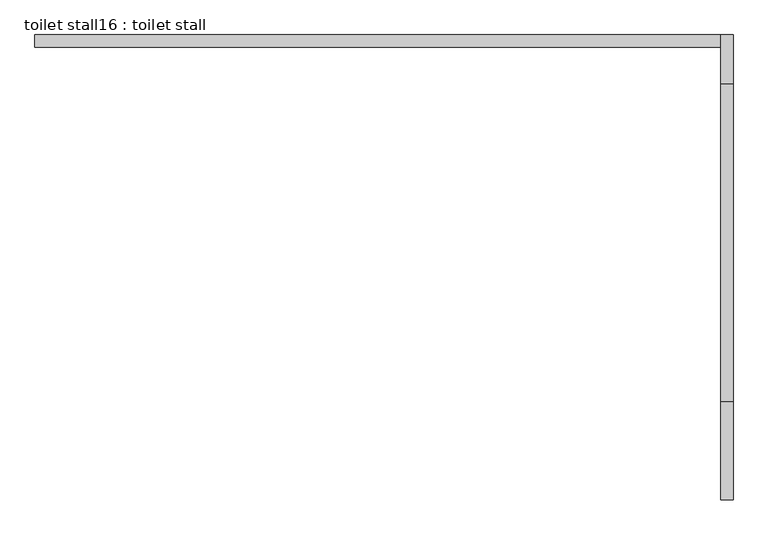
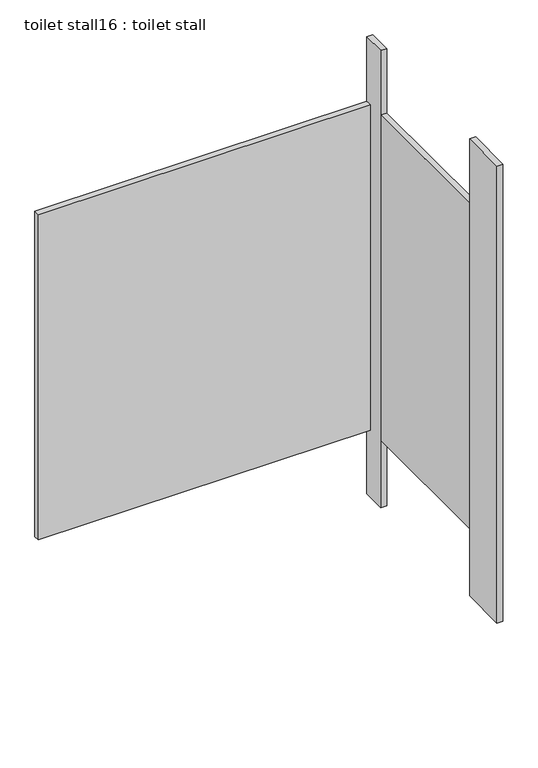
"""IFC4 building model written with IfcOpenShell, lengths in millimetres: proxy geometry, toilet stall16 : toilet stall."""

from ifc_helpers import new_model, si_unit, frame, origin, origin_with_axes, place, context, project, spatial, polyline, outline, extrude, source, transform, mapped, element, save


def toilet_stall16_toilet_stall_285713e9(model_context):
    return source(origin(), model_context, "Body", "SweptSolid", [
        extrude(outline(polyline([(461255.8504676, -333067.8330223), (461281.2504676, -333067.8330223), (461281.2504676, -333271.0330223), (461255.8504676, -333271.0330223), (461255.8504676, -333067.8330223)])), origin_with_axes(), (0.0, 0.0, 1.0), 2070.1),
        extrude(outline(polyline([(461255.8504676, -332305.8330223), (461281.2504676, -332305.8330223), (461281.2504676, -332407.4330223), (461255.8504676, -332407.4330223), (461255.8504676, -332305.8330223)])), origin_with_axes(), (0.0, 0.0, 1.0), 2070.1),
        extrude(outline(polyline([(461255.8504676, -332305.8330223), (461255.8504676, -332331.2330223), (459833.4504676, -332331.2330223), (459833.4504676, -332305.8330223), (461255.8504676, -332305.8330223)])), frame((0.0, 0.0, 304.8), z_axis=(0.0, 0.0, 1.0), x_axis=(1.0, 0.0, 0.0)), (0.0, 0.0, 1.0), 1473.2),
        extrude(outline(polyline([(461255.8504676, -332407.4330223), (461281.2504676, -332407.4330223), (461281.2504676, -333067.8330223), (461255.8504676, -333067.8330223), (461255.8504676, -332407.4330223)])), frame((0.0, 0.0, 304.8), z_axis=(0.0, 0.0, 1.0), x_axis=(1.0, 0.0, 0.0)), (0.0, 0.0, 1.0), 1473.2),
    ])


if __name__ == "__main__":
    model = new_model("IFC4")
    model_context = context("Model", 3, world=origin())
    ifc_project = project(units=[si_unit("LENGTHUNIT", "METRE", prefix="MILLI")], contexts=[model_context])
    site = spatial("IfcSite", under=ifc_project)
    building = spatial("IfcBuilding", under=site)
    placement = place(None, origin())
    toilet_stall16_toilet_stall_shape = toilet_stall16_toilet_stall_285713e9(model_context)
    element("IfcBuildingElementProxy", 1, Name="toilet stall16 : toilet stall", ObjectType="toilet stall16 : toilet stall", at=placement, inside=building, context=model_context, shape_type="MappedRepresentation", body=[
        mapped(toilet_stall16_toilet_stall_shape, transform((0.0, 0.0, 0.0), x_axis=(1.0, 0.0, 0.0), y_axis=(0.0, 1.0, 0.0), z_axis=(0.0, 0.0, 1.0))),
    ])
    save(model, "model.ifc")
